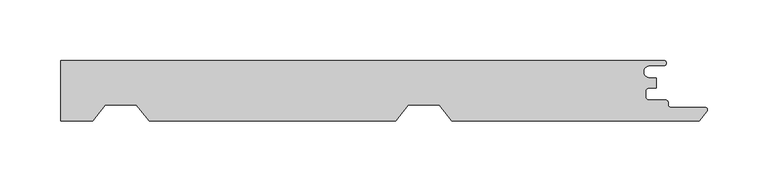
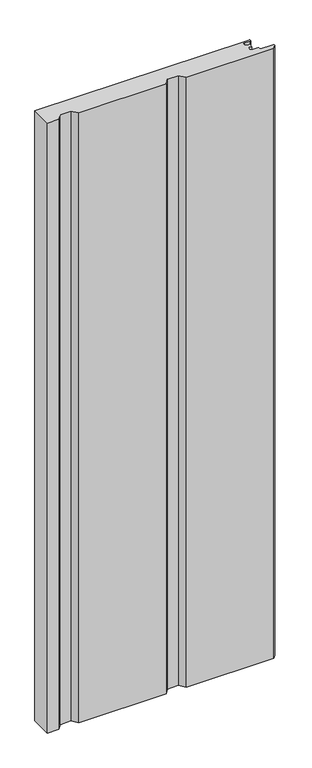
"""IFC4 building model written with IfcOpenShell, lengths in millimetres: proxy geometry."""

from ifc_helpers import new_model, si_unit, point, frame_2d, origin, origin_with_axes, place, context, project, spatial, polyline, circle_curve, trimmed, segment, composite_curve, outline, extrude, source, transform, mapped, element, save


def generic_models_efd74f22(model_context):
    return source(origin(), model_context, "Body", "SweptSolid", [
        extrude(outline(composite_curve([segment(polyline([(497.8, 20.6), (486.1740239, 20.6)]), True, "CONTINUOUS"), segment(trimmed(circle_curve(frame_2d((486.1740239, 15.5818865)), 5.0181135), [point((486.1740239, 20.6))], [point((486.1740239, 10.5637731))], True, "CARTESIAN"), True, "CONTINUOUS"), segment(polyline([(486.1740239, 10.5637731), (491.826199, 10.5637731), (491.826199, 2.1668444), (485.634822, 2.1668444)]), True, "CONTINUOUS"), segment(trimmed(circle_curve(frame_2d((485.634822, -0.5831555)), 2.7499999), [point((485.634822, 2.1668444))], [point((482.8848221, -0.5831555))], True, "CARTESIAN"), True, "CONTINUOUS"), segment(polyline([(482.8848221, -0.5831555), (482.8848221, -5.0831556)]), True, "CONTINUOUS"), segment(trimmed(circle_curve(frame_2d((485.634822, -5.0831556)), 2.7499999), [point((482.8848221, -5.0831556))], [point((485.634822, -7.8331556))], True, "CARTESIAN"), True, "CONTINUOUS"), segment(polyline([(485.634822, -7.8331556), (499.3603917, -7.8331556)]), True, "CONTINUOUS"), segment(trimmed(circle_curve(frame_2d((499.3603917, -9.8331556)), 2.0), [point((499.3603917, -7.8331556))], [point((501.3603917, -9.8331556))], False, "CARTESIAN"), True, "CONTINUOUS"), segment(polyline([(501.3603917, -9.8331556), (501.3603917, -11.8001056)]), True, "CONTINUOUS"), segment(trimmed(circle_curve(frame_2d((503.3603917, -11.8001056)), 2.0), [point((501.3603917, -11.8001056))], [point((503.3603917, -13.8001056))], True, "CARTESIAN"), True, "CONTINUOUS"), segment(polyline([(503.3603917, -13.8001056), (531.7579459, -13.8001056)]), True, "CONTINUOUS"), segment(trimmed(circle_curve(frame_2d((531.7579459, -15.9001056)), 2.1), [point((531.7579459, -13.8001056))], [point((533.3977704, -17.2119652))], False, "CARTESIAN"), True, "CONTINUOUS"), segment(polyline([(533.3977704, -17.2119652), (527.1673425, -25.0), (323.0, -25.0), (312.6000971, -12.0), (287.0155837, -12.0), (276.6156808, -25.0), (73.0, -25.0), (62.6000971, -12.0), (37.0155837, -12.0), (26.6156808, -25.0), (0.0, -25.0), (0.0, 25.0), (497.8, 25.0)]), True, "CONTINUOUS"), segment(trimmed(circle_curve(frame_2d((497.8, 22.8)), 2.2), [point((497.8, 25.0))], [point((500.0, 22.8))], False, "CARTESIAN"), True, "CONTINUOUS"), segment(trimmed(circle_curve(frame_2d((497.8, 22.8)), 2.2), [point((500.0, 22.8))], [point((497.8, 20.6))], False, "CARTESIAN"), True, "CONTINUOUS")], self_intersect=False)), origin_with_axes(), (0.0, 0.0, 1.0), 1500.0),
    ])


if __name__ == "__main__":
    model = new_model("IFC4")
    model_context = context("Model", 3, world=origin())
    ifc_project = project(units=[si_unit("LENGTHUNIT", "METRE", prefix="MILLI")], contexts=[model_context])
    site = spatial("IfcSite", under=ifc_project)
    building = spatial("IfcBuilding", under=site)
    placement = place(None, origin())
    generic_models_shape = generic_models_efd74f22(model_context)
    element("IfcBuildingElementProxy", 1, Name="Generic Models", at=placement, inside=building, context=model_context, shape_type="MappedRepresentation", body=[
        mapped(generic_models_shape, transform((0.0, 0.0, 0.0), x_axis=(1.0, 0.0, 0.0), y_axis=(0.0, 1.0, 0.0), z_axis=(0.0, 0.0, 1.0))),
    ])
    save(model, "model.ifc")
